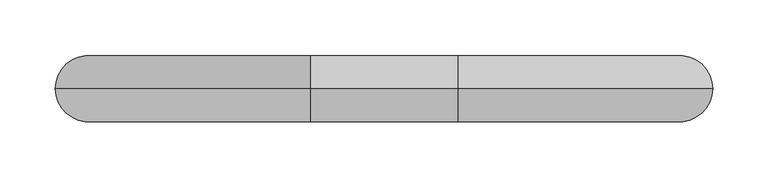
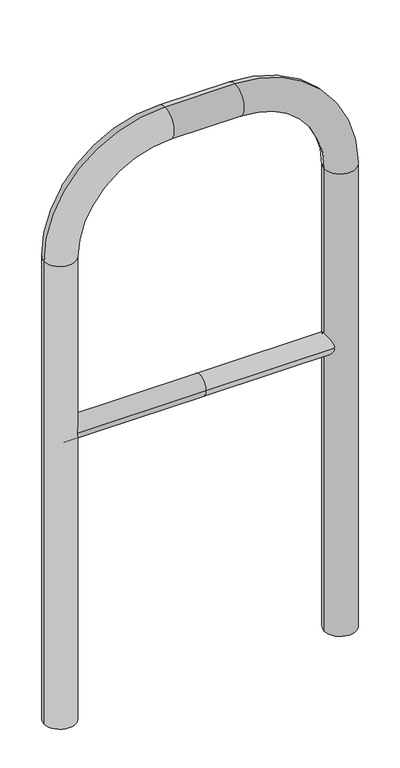
"""IFC4 building model written with IfcOpenShell, lengths in millimetres: proxy geometry."""

from ifc_helpers import new_model, si_unit, point, frame, frame_2d, origin, place, context, project, spatial, circle_curve, ellipse_curve, trimmed, segment, composite_curve, outline, extrude, source, transform, mapped, element, save
from ifc_brep_helpers import plane_surface, cylinder_surface, revolved_surface, advanced_brep


def generic_models_79f088b1(model_context):
    return source(origin(), model_context, "Body", "SolidModel", [
        extrude(outline(composite_curve([segment(trimmed(circle_curve(frame_2d((0.0, 498.4778375)), 20.0), [point((-20.0, 498.4778375))], [point((20.0, 498.4778375))], False, "CARTESIAN"), True, "CONTINUOUS"), segment(trimmed(circle_curve(frame_2d((0.0, 498.4778375)), 20.0), [point((20.0, 498.4778375))], [point((-20.0, 498.4778375))], False, "CARTESIAN"), True, "CONTINUOUS")], self_intersect=False)), frame((-266.5722008, 0.0, 0.0), z_axis=(1.0, 0.0, 0.0), x_axis=(0.0, 1.0, 0.0)), (0.0, 0.0, 1.0), 266.5722008),
        extrude(outline(composite_curve([segment(trimmed(circle_curve(frame_2d((0.0, 498.4778375)), 20.0), [point((-20.0, 498.4778375))], [point((20.0, 498.4778375))], False, "CARTESIAN"), True, "CONTINUOUS"), segment(trimmed(circle_curve(frame_2d((0.0, 498.4778375)), 20.0), [point((20.0, 498.4778375))], [point((-20.0, 498.4778375))], False, "CARTESIAN"), True, "CONTINUOUS")], self_intersect=False)), frame((0.0, 0.0, 0.0), z_axis=(1.0, 0.0, 0.0), x_axis=(0.0, 1.0, 0.0)), (0.0, 0.0, 1.0), 266.5722008),
        advanced_brep(
        [(-236.5722008, 0.0, -80.0), (-296.5722008, 0.0, -80.0), (-236.5722008, 0.0, 850.0), (-296.5722008, 0.0, 850.0), (-66.5722008, 0.0, 1080.0), (-66.5722008, 0.0, 1020.0), (66.5722008, 0.0, 1020.0), (66.5722008, 0.0, 1080.0), (296.5722008, 0.0, 850.0), (236.5722008, 0.0, 850.0), (236.5722008, 0.0, -80.0), (296.5722008, 0.0, -80.0)],
        [
            (0, 1, circle_curve(frame((-266.5722008, 0.0, -80.0), z_axis=(0.0, 0.0, -1.0), x_axis=(-1.0, 0.0, 0.0)), 30.0)),
            (1, 0, circle_curve(frame((-266.5722008, 0.0, -80.0), z_axis=(0.0, 0.0, -1.0), x_axis=(-1.0, 0.0, 0.0)), 30.0)),
            (0, 2),
            (2, 3, circle_curve(frame((-266.5722008, 0.0, 850.0), z_axis=(0.0, 0.0, -1.0), x_axis=(-1.0, 0.0, 0.0)), 30.0)),
            (3, 1),
            (3, 2, circle_curve(frame((-266.5722008, 0.0, 850.0), z_axis=(0.0, 0.0, -1.0), x_axis=(-1.0, 0.0, 0.0)), 30.0)),
            (4, 3, circle_curve(frame((-66.5722008, 0.0, 850.0), z_axis=(0.0, -1.0, 0.0), x_axis=(-1.0, 0.0, 0.0)), 230.0)),
            (2, 5, circle_curve(frame((-66.5722008, 0.0, 850.0), z_axis=(0.0, 1.0, 0.0), x_axis=(-1.0, 0.0, 0.0)), 170.0)),
            (5, 4, circle_curve(frame((-66.5722008, 0.0, 1050.0), z_axis=(-1.0, 0.0, 0.0), x_axis=(0.0, 0.0, 1.0)), 30.0)),
            (4, 5, circle_curve(frame((-66.5722008, 0.0, 1050.0), z_axis=(-1.0, 0.0, 0.0), x_axis=(0.0, 0.0, 1.0)), 30.0)),
            (5, 6),
            (6, 7, circle_curve(frame((66.5722008, 0.0, 1050.0), z_axis=(-1.0, 0.0, 0.0), x_axis=(0.0, 0.0, 1.0)), 30.0)),
            (7, 4),
            (7, 6, circle_curve(frame((66.5722008, 0.0, 1050.0), z_axis=(-1.0, 0.0, 0.0), x_axis=(0.0, 0.0, 1.0)), 30.0)),
            (8, 7, circle_curve(frame((66.5722008, 0.0, 850.0), z_axis=(0.0, -1.0, 0.0), x_axis=(0.0, 0.0, 1.0)), 230.0)),
            (6, 9, circle_curve(frame((66.5722008, 0.0, 850.0), z_axis=(0.0, 1.0, 0.0), x_axis=(0.0, 0.0, 1.0)), 170.0)),
            (9, 8, circle_curve(frame((266.5722008, 0.0, 850.0), z_axis=(0.0, 0.0, 1.0), x_axis=(1.0, 0.0, 0.0)), 30.0)),
            (8, 9, circle_curve(frame((266.5722008, 0.0, 850.0), z_axis=(0.0, 0.0, 1.0), x_axis=(1.0, 0.0, 0.0)), 30.0)),
            (10, 11, circle_curve(frame((266.5722008, 0.0, -80.0), z_axis=(0.0, 0.0, -1.0), x_axis=(1.0, 0.0, 0.0)), 30.0)),
            (11, 10, circle_curve(frame((266.5722008, 0.0, -80.0), z_axis=(0.0, 0.0, -1.0), x_axis=(1.0, 0.0, 0.0)), 30.0)),
            (9, 10),
            (11, 8),
        ],
        [
            plane_surface(frame((-266.5722008, 0.0, -80.0), z_axis=(0.0, 0.0, -1.0), x_axis=(0.0, -1.0, 0.0))),
            cylinder_surface(frame((-266.5722008, 0.0, -80.0), z_axis=(0.0, 0.0, -1.0), x_axis=(-1.0, 0.0, 0.0)), 30.0),
            revolved_surface(trimmed(ellipse_curve(frame((-266.5722008, 0.0, 850.0), z_axis=(0.0, 0.0, -1.0), x_axis=(-1.0, 0.0, 0.0)), 30.0, 30.0), [point((-236.5722008, 0.0, 850.0))], [point((-296.5722008, 0.0, 850.0))], True, "CARTESIAN"), (-66.5722008, 0.0, 850.0), (0.0, 1.0, 0.0)),
            revolved_surface(trimmed(ellipse_curve(frame((-266.5722008, 0.0, 850.0), z_axis=(0.0, 0.0, -1.0), x_axis=(-1.0, 0.0, 0.0)), 30.0, 30.0), [point((-296.5722008, 0.0, 850.0))], [point((-236.5722008, 0.0, 850.0))], True, "CARTESIAN"), (-66.5722008, 0.0, 850.0), (0.0, 1.0, 0.0)),
            cylinder_surface(frame((-66.5722008, 0.0, 1050.0), z_axis=(-1.0, 0.0, 0.0), x_axis=(0.0, 0.0, 1.0)), 30.0),
            revolved_surface(trimmed(ellipse_curve(frame((66.5722008, 0.0, 1050.0), z_axis=(-1.0, 0.0, 0.0), x_axis=(0.0, 0.0, 1.0)), 30.0, 30.0), [point((66.5722008, 0.0, 1020.0))], [point((66.5722008, 0.0, 1080.0))], True, "CARTESIAN"), (66.5722008, 0.0, 850.0), (0.0, 1.0, 0.0)),
            revolved_surface(trimmed(ellipse_curve(frame((66.5722008, 0.0, 1050.0), z_axis=(-1.0, 0.0, 0.0), x_axis=(0.0, 0.0, 1.0)), 30.0, 30.0), [point((66.5722008, 0.0, 1080.0))], [point((66.5722008, 0.0, 1020.0))], True, "CARTESIAN"), (66.5722008, 0.0, 850.0), (0.0, 1.0, 0.0)),
            plane_surface(frame((266.5722008, 0.0, -80.0), z_axis=(0.0, 0.0, -1.0), x_axis=(0.0, -1.0, 0.0))),
            cylinder_surface(frame((266.5722008, 0.0, 850.0), z_axis=(0.0, 0.0, 1.0), x_axis=(1.0, 0.0, 0.0)), 30.0),
        ],
        [
            (0, [[1, 2]]),
            (1, [[-1, 3, 4, 5]]),
            (1, [[-2, -5, 6, -3]]),
            (2, [[7, -4, 8, 9]]),
            (3, [[-8, -6, -7, 10]]),
            (4, [[-9, 11, 12, 13]]),
            (4, [[-10, -13, 14, -11]]),
            (5, [[15, -12, 16, 17]]),
            (6, [[-16, -14, -15, 18]]),
            (7, [[19, 20]]),
            (8, [[-17, 21, -20, 22]]),
            (8, [[-18, -22, -19, -21]]),
        ],
    ),
    ])


if __name__ == "__main__":
    model = new_model("IFC4")
    model_context = context("Model", 3, world=origin())
    ifc_project = project(units=[si_unit("LENGTHUNIT", "METRE", prefix="MILLI")], contexts=[model_context])
    site = spatial("IfcSite", under=ifc_project)
    building = spatial("IfcBuilding", under=site)
    placement = place(None, origin())
    generic_models_shape = generic_models_79f088b1(model_context)
    element("IfcBuildingElementProxy", 1, Name="Generic Models", at=placement, inside=building, context=model_context, shape_type="MappedRepresentation", body=[
        mapped(generic_models_shape, transform((0.0, 0.0, 0.0), x_axis=(1.0, 0.0, 0.0), y_axis=(0.0, 1.0, 0.0), z_axis=(0.0, 0.0, 1.0))),
    ])
    save(model, "model.ifc")
